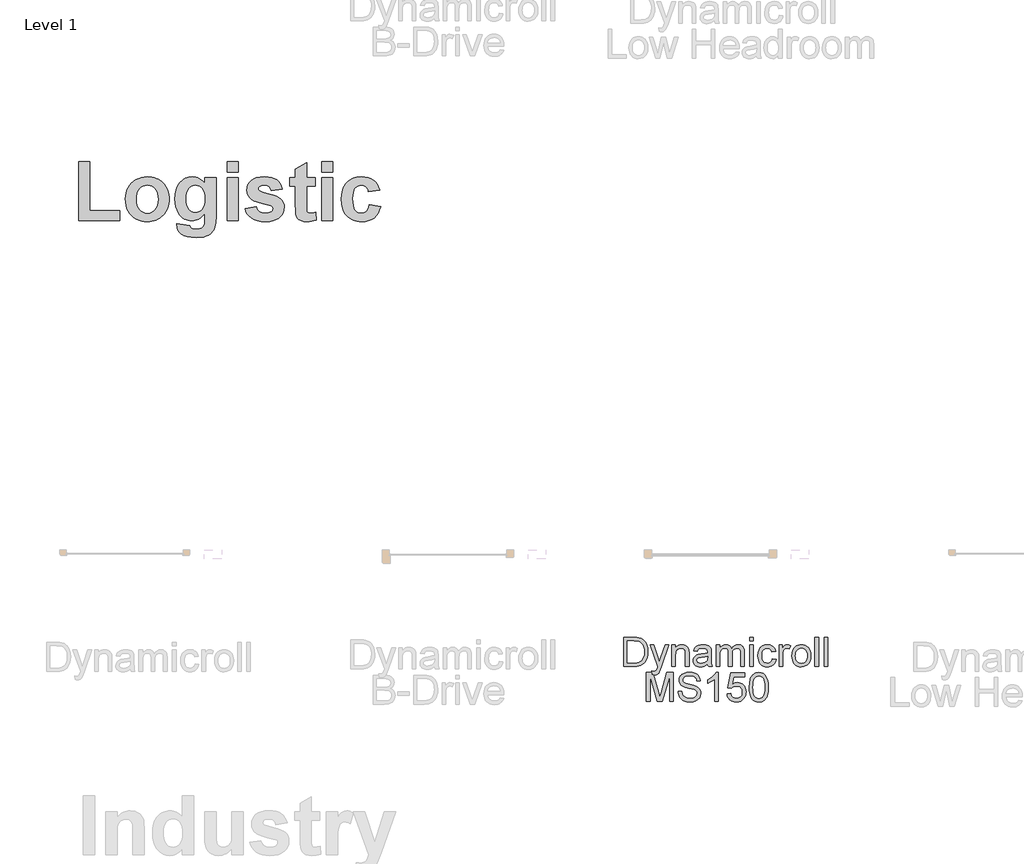
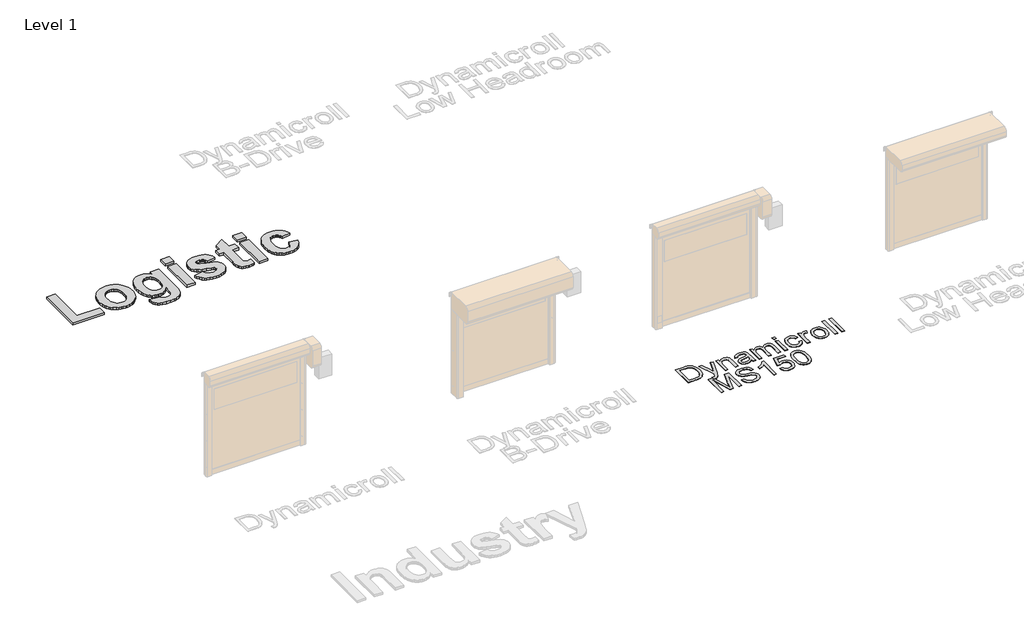
# One storey, part 7 of 18: 2 proxies.
"""IFC4 building model written with IfcOpenShell, lengths in millimetres."""

from ifc_helpers import new_model, si_unit, origin, origin_with_axes, place, context, project, spatial, polyline, outline, extrude, element, save

model = new_model("IFC4")

# Units and contexts
model_context = context("Model", 3, world=origin())
ifc_project = project(units=[si_unit("LENGTHUNIT", "METRE", prefix="MILLI")], contexts=[model_context])

# Site, building, storey
site = spatial("IfcSite", under=ifc_project)
building = spatial("IfcBuilding", under=site)
storey = spatial("IfcBuildingStorey", under=building, Name="Level 1", Elevation=0.0)

# Proxies
placement = place(None, origin())
element("IfcBuildingElementProxy", 1, Name="1000", ObjectType="1000", at=placement, inside=storey, context=model_context, shape_type="SweptSolid", body=[
    extrude(outline(polyline([(688.190889, 26929.161289), (688.190889, 27949.4206889), (882.5260128, 27949.4206889), (882.5260128, 27107.3018191), (1400.7530096, 27107.3018191), (1400.7530096, 26929.161289), (688.190889, 26929.161289)])), origin_with_axes(), (0.0, 0.0, 1.0), 50.0),
    extrude(outline(polyline([(1497.9205715, 27312.264645), (1500.9175203, 27360.8405185), (1509.9083664, 27408.6414553), (1524.8931101, 27455.6674555), (1545.8717512, 27501.9185191), (1572.3382087, 27545.0698363), (1603.7864015, 27582.7965971), (1640.2163297, 27615.0988018), (1681.6279933, 27641.9764501), (1726.8115421, 27663.121149), (1774.5571264, 27678.2245054), (1824.8647459, 27687.2865193), (1877.7344007, 27690.3071905), (1918.6656827, 27688.5952132), (1957.7031144, 27683.4592813), (1994.846696, 27674.8993948), (2030.0964273, 27662.9155536), (2063.4523085, 27647.5077579), (2094.9143395, 27628.6760075), (2124.4825203, 27606.4203025), (2152.156851, 27580.7406429), (2177.2137936, 27552.4435953), (2198.9298106, 27522.3357265), (2217.3049019, 27490.4170364), (2232.3390676, 27456.6875251), (2244.0323075, 27421.1471925), (2252.3846217, 27383.7960387), (2257.3960102, 27344.6340635), (2259.0664731, 27303.6612671), (2257.3782183, 27262.3701932), (2252.3134541, 27222.8859868), (2243.8721803, 27185.2086479), (2232.054397, 27149.3381765), (2216.8601041, 27115.2745726), (2198.2893018, 27083.0178362), (2176.34199, 27052.5679673), (2151.0181686, 27023.9249659), (2123.1362657, 26997.9191212), (2093.5147091, 26975.3807225), (2062.1534989, 26956.3097698), (2029.0526352, 26940.706263), (1994.2121178, 26928.5702021), (1957.6319468, 26919.9015872), (1919.3121221, 26914.7004183), (1879.2526439, 26912.9666953), (1829.1110822, 26915.8529388), (1780.155648, 26924.5116693), (1732.3863412, 26938.9428868), (1685.8031619, 26959.1465913), (1642.5648621, 26984.9330024), (1604.8301937, 27016.1123397), (1572.5991567, 27052.6846031), (1545.8717512, 27094.6497928), (1524.8931101, 27141.7469607), (1509.9083664, 27193.7151587), (1500.9175203, 27250.5543868), (1497.9205715, 27312.264645)]), holes=[polyline([(1692.2556953, 27301.6369429), (1695.6163898, 27246.2447903), (1705.6984733, 27197.732177), (1722.5019457, 27156.099103), (1746.0268071, 27121.3455683), (1774.4859587, 27093.9460239), (1806.0923019, 27074.3749207), (1840.8458366, 27062.6322588), (1878.7465628, 27058.7180382), (1916.6314741, 27062.6322588), (1951.3375637, 27074.3749207), (1982.8648317, 27093.9460239), (2011.2132781, 27121.3455683), (2034.6274342, 27156.1939932), (2051.3518315, 27198.1117378), (2061.3864698, 27247.0988021), (2064.7313493, 27303.1551861), (2061.3864698, 27357.8831073), (2051.3518315, 27405.9212696), (2034.6274342, 27447.269673), (2011.2132781, 27481.9283176), (1982.8648317, 27509.327862), (1951.3375637, 27528.8989652), (1916.6314741, 27540.6416271), (1878.7465628, 27544.5558477), (1840.8458366, 27540.6416271), (1806.0923019, 27528.8989652), (1774.4859587, 27509.327862), (1746.0268071, 27481.9283176), (1722.5019457, 27447.1747828), (1705.6984733, 27405.5417088), (1695.6163898, 27357.0290955), (1692.2556953, 27301.6369429)])]), origin_with_axes(), (0.0, 0.0, 1.0), 50.0),
    extrude(outline(polyline([(2388.6232223, 26880.577508), (2615.3475334, 26848.1883207), (2624.0141714, 26819.5947413), (2639.3863833, 26801.628864), (2654.3948495, 26793.6580874), (2673.1040334, 26787.9646756), (2721.6245542, 26783.4099461), (2755.3105742, 26784.8491141), (2784.5051249, 26789.1666181), (2809.2082062, 26796.362458), (2829.4198182, 26806.436634), (2850.5487021, 26826.6166159), (2865.8576539, 26856.2856176), (2872.3101873, 26891.2052101), (2874.4610318, 26946.8741258), (2874.4610318, 27055.4285113), (2849.912147, 27025.8346311), (2824.3431927, 27000.1866016), (2797.7541687, 26978.4844227), (2770.145075, 26960.7280946), (2741.5159118, 26946.9176171), (2711.866679, 26937.0529904), (2681.1973765, 26931.1342143), (2649.5080044, 26929.161289), (2614.5132904, 26931.1421218), (2581.3926578, 26937.0846204), (2550.1461067, 26946.9887848), (2520.7736369, 26960.8546148), (2493.2752485, 26978.6821106), (2467.6509415, 27000.4712722), (2443.9007159, 27026.2220994), (2422.0245717, 27055.9345924), (2393.2412119, 27109.1047329), (2372.6816692, 27168.4111061), (2360.3459435, 27233.8537121), (2356.234035, 27305.4325508), (2361.6190537, 27393.5301914), (2368.350327, 27433.4334962), (2377.7741098, 27470.573124), (2389.8904018, 27504.9490748), (2404.6992032, 27536.5613486), (2422.2005139, 27565.4099454), (2442.394334, 27591.4948652), (2488.1076865, 27634.7252575), (2512.939265, 27651.708626), (2539.0874449, 27665.6041092), (2566.5522264, 27676.4117073), (2595.3336093, 27684.1314202), (2625.4315937, 27688.763248), (2656.8461796, 27690.3071905), (2689.1404767, 27688.4766005), (2719.9797908, 27682.9848303), (2749.3641219, 27673.8318801), (2777.2934699, 27661.0177497), (2803.7678349, 27644.5424392), (2828.7872169, 27624.4059486), (2852.3516159, 27600.6082779), (2874.4610318, 27573.1494271), (2874.4610318, 27674.1125969), (3068.7961556, 27674.1125969), (3068.7961556, 27012.411622), (3063.5139346, 26898.5117553), (3056.9111584, 26853.873825), (3047.6672717, 26817.4438969), (3036.0432225, 26786.8655308), (3022.299959, 26759.782287), (3006.437481, 26736.1941655), (2988.4557887, 26716.1011663), (2967.8171708, 26698.7441677), (2943.9839163, 26683.3640483), (2886.7334973, 26658.5344467), (2852.8023443, 26649.4012652), (2814.6485775, 26642.8775641), (2725.6732026, 26637.6586033), (2640.3827304, 26641.5491014), (2568.471776, 26653.2205956), (2509.9403394, 26672.673086), (2485.6919402, 26685.3172048), (2464.7884206, 26699.9065726), (2431.1340306, 26733.1181416), (2407.0951807, 26770.5048793), (2392.6718707, 26812.0667857), (2387.8641007, 26857.8038607), (2388.6232223, 26880.577508)]), holes=[polyline([(2550.5691588, 27312.7707261), (2553.3763271, 27255.1723764), (2561.7978321, 27205.8611039), (2575.8336738, 27164.8369087), (2595.4838521, 27132.0997907), (2619.261754, 27107.0804087), (2645.6807664, 27089.2094215), (2674.7408893, 27078.4868293), (2706.4421227, 27074.9126318), (2740.3732757, 27078.5817195), (2771.568428, 27089.5889823), (2800.0275796, 27107.9344204), (2825.7507306, 27133.6180338), (2847.0614874, 27166.4974871), (2862.2834565, 27206.4304451), (2871.416638, 27253.4169077), (2874.4610318, 27307.456875), (2871.5431582, 27363.7979296), (2862.7895375, 27412.373803), (2848.2001697, 27453.1844953), (2827.7750548, 27486.2300065), (2802.8901006, 27511.747562), (2774.921215, 27529.9743874), (2743.8683979, 27540.9104826), (2709.7316495, 27544.5558477), (2676.5912482, 27540.9816503), (2646.5031481, 27530.259058), (2619.4673495, 27512.3880708), (2595.4838521, 27487.3686889), (2575.8336738, 27455.0111316), (2561.7978321, 27415.1256187), (2553.3763271, 27367.7121502), (2550.5691588, 27312.7707261)])]), origin_with_axes(), (0.0, 0.0, 1.0), 50.0),
    extrude(outline(polyline([(3263.1312794, 27771.2801588), (3263.1312794, 27949.4206889), (3457.4664032, 27949.4206889), (3457.4664032, 27771.2801588), (3263.1312794, 27771.2801588)])), origin_with_axes(), (0.0, 0.0, 1.0), 50.0),
    extrude(outline(polyline([(3263.1312794, 26929.161289), (3263.1312794, 27674.1125969), (3457.4664032, 27674.1125969), (3457.4664032, 26929.161289), (3263.1312794, 26929.161289)])), origin_with_axes(), (0.0, 0.0, 1.0), 50.0),
    extrude(outline(polyline([(3570.8285588, 27139.6910064), (3765.1636826, 27172.0801937), (3772.826066, 27145.9221294), (3783.667271, 27123.116852), (3797.6872976, 27103.6643616), (3814.8861459, 27087.5646581), (3835.5326713, 27074.9442619), (3859.8957294, 27065.9296932), (3887.9753202, 27060.5209519), (3919.7714438, 27058.7180382), (3954.5487011, 27060.4418768), (3984.7395988, 27065.6133925), (4010.344137, 27074.2325854), (4031.3623157, 27086.2994555), (4042.4328387, 27096.7373772), (4050.3403551, 27108.8200623), (4055.084865, 27122.5475108), (4056.6663683, 27137.9197228), (4053.3135813, 27158.0364446), (4043.2552204, 27174.3575585), (4020.2917927, 27187.7054462), (3979.7420484, 27199.9146516), (3875.3786466, 27225.3135943), (3792.0492384, 27249.6371149), (3729.753824, 27272.8852132), (3688.4924032, 27295.0578893), (3651.1847407, 27328.0954929), (3624.5364104, 27366.9846587), (3608.5474121, 27411.7253867), (3603.2177461, 27462.3176768), (3607.7882906, 27508.608278), (3621.499924, 27551.0716412), (3644.3526465, 27589.7077665), (3676.346458, 27624.5166538), (3717.9558095, 27653.3000136), (3769.6551519, 27673.8595564), (3831.4444853, 27686.195282), (3903.3238096, 27690.3071905), (3971.7554568, 27686.9860336), (4030.7929745, 27677.0225629), (4080.4363626, 27660.4167784), (4120.6856213, 27637.1686801), (4153.4701844, 27607.4047883), (4180.719486, 27571.2516232), (4202.4335261, 27528.7091848), (4218.6123048, 27479.7774731), (4024.277181, 27447.3882858), (4009.9803913, 27488.9501921), (3999.5108395, 27505.6034217), (3986.8271831, 27519.5048356), (3971.5814915, 27530.4646534), (3953.4258337, 27538.2930947), (3932.36021, 27542.9901594), (3908.3846201, 27544.5558477), (3853.0320051, 27539.2419966), (3832.2352369, 27532.5996828), (3816.0248282, 27523.3004435), (3802.1708595, 27505.8406472), (3797.5528699, 27483.8261215), (3802.1708595, 27464.7848219), (3816.0248282, 27448.6534884), (3836.0703824, 27438.0416014), (3871.4090733, 27425.4370202), (3987.9658655, 27394.2497754), (4055.9784143, 27375.6354817), (4112.872995, 27354.9652337), (4158.6496077, 27332.2390315), (4193.3082522, 27307.456875), (4218.5490446, 27278.6893303), (4236.5781821, 27244.7660848), (4247.3956646, 27205.6871386), (4251.0014921, 27161.4524917), (4245.7746237, 27112.2598319), (4230.0940186, 27066.6571847), (4203.9596768, 27024.6445499), (4167.3715983, 26986.2219275), (4145.2088066, 26969.0527325), (4120.5353785, 26954.1727635), (4063.6566128, 26931.2805034), (3996.7353012, 26917.5451473), (3919.7714438, 26912.9666953), (3849.2601198, 26916.7781183), (3786.5139769, 26928.212387), (3731.5330152, 26947.2695016), (3684.3172346, 26973.949462), (3644.7242998, 27007.1768461), (3612.6118756, 27045.8762315), (3587.9799619, 27090.0476183), (3570.8285588, 27139.6910064)])), origin_with_axes(), (0.0, 0.0, 1.0), 50.0),
    extrude(outline(polyline([(4785.4230825, 27674.1125969), (4785.4230825, 27528.361254), (4639.6717397, 27528.361254), (4639.6717397, 27208.77107), (4640.778792, 27132.0681606), (4644.0999489, 27095.7884752), (4651.3432339, 27081.1121247), (4664.2166707, 27069.21922), (4681.6132068, 27061.3433336), (4702.4257901, 27058.7180382), (4740.88795, 27063.3992879), (4793.5203793, 27077.4430371), (4801.6176762, 26939.28291), (4765.2905457, 26927.7695661), (4726.6544204, 26919.545749), (4685.7093003, 26914.6114588), (4642.4551854, 26912.9666953), (4590.7083979, 26917.5214248), (4544.2754614, 26931.1856132), (4506.3510126, 26952.0614566), (4480.1296882, 26978.251151), (4462.8280422, 27012.2218416), (4451.662629, 27056.4406735), (4446.9181191, 27109.2628832), (4445.3366159, 27197.8903274), (4445.3366159, 27528.361254), (4348.169054, 27528.361254), (4348.169054, 27674.1125969), (4445.3366159, 27674.1125969), (4445.3366159, 27819.8639397), (4639.6717397, 27933.2260953), (4639.6717397, 27674.1125969), (4785.4230825, 27674.1125969)])), origin_with_axes(), (0.0, 0.0, 1.0), 50.0),
    extrude(outline(polyline([(4898.7852381, 27771.2801588), (4898.7852381, 27949.4206889), (5093.1203619, 27949.4206889), (5093.1203619, 27771.2801588), (4898.7852381, 27771.2801588)])), origin_with_axes(), (0.0, 0.0, 1.0), 50.0),
    extrude(outline(polyline([(4898.7852381, 26929.161289), (4898.7852381, 27674.1125969), (5093.1203619, 27674.1125969), (5093.1203619, 26929.161289), (4898.7852381, 26929.161289)])), origin_with_axes(), (0.0, 0.0, 1.0), 50.0),
    extrude(outline(polyline([(5902.8500444, 27463.5828794), (5708.5149206, 27431.1936921), (5702.5131156, 27457.6601496), (5693.6171596, 27480.6314849), (5681.8270526, 27500.1076978), (5667.1427946, 27516.0887885), (5649.8016111, 27528.5431269), (5630.0407275, 27537.4390829), (5607.8601439, 27542.7766565), (5583.2598603, 27544.5558477), (5550.7125227, 27541.2188758), (5521.6444923, 27531.20796), (5496.0557691, 27514.5231003), (5473.9463532, 27491.1642967), (5456.1228111, 27459.992867), (5443.3917097, 27419.8701286), (5435.7530488, 27370.7960816), (5433.2068285, 27312.7707261), (5435.8558465, 27248.2928371), (5443.8029005, 27194.0314593), (5457.0479906, 27149.9865928), (5475.5911166, 27116.1582375), (5498.5940819, 27091.0281503), (5525.2186897, 27073.078088), (5555.4649401, 27062.3080506), (5589.3328329, 27058.7180382), (5614.8187584, 27060.7660849), (5637.8849838, 27066.9102252), (5658.5315092, 27077.150459), (5676.7583346, 27091.4867863), (5692.5180148, 27110.836479), (5705.7631049, 27136.116809), (5716.4936046, 27167.3277764), (5724.7095142, 27204.469381), (5919.044638, 27172.0801937), (5901.1341133, 27111.8644561), (5876.5021996, 27059.5087898), (5845.148897, 27015.0131949), (5807.0742054, 26978.3776712), (5762.1199745, 26949.7603693), (5710.1280539, 26929.3194393), (5651.0984438, 26917.0548813), (5585.031144, 26912.9666953), (5546.4958395, 26914.5758749), (5509.9650905, 26919.4034137), (5475.4388969, 26927.4493117), (5442.9172587, 26938.7135688), (5412.4001759, 26953.1961852), (5383.8876485, 26970.8971607), (5357.3796766, 26991.8164954), (5332.87626, 27015.9541893), (5310.8439424, 27042.9346354), (5291.7492671, 27072.3822266), (5275.5922341, 27104.2969629), (5262.3728435, 27138.6788443), (5252.0910953, 27175.5278709), (5244.7469894, 27214.8440426), (5238.8717047, 27300.8778214), (5244.7074518, 27387.8842246), (5252.0021357, 27427.5621652), (5262.2146932, 27464.6899317), (5275.3451243, 27499.2675242), (5291.3934288, 27531.2949426), (5310.359607, 27560.772187), (5332.2436587, 27587.6992573), (5356.6185781, 27611.7479917), (5383.0573593, 27632.5902281), (5411.5600023, 27650.2259666), (5442.1265071, 27664.6552072), (5474.7568736, 27675.8779499), (5509.4511019, 27683.8941947), (5546.2091921, 27688.7039416), (5585.031144, 27690.3071905), (5646.8521074, 27686.8041608), (5701.999127, 27676.2950714), (5750.4722027, 27658.7799225), (5792.2713346, 27634.2587141), (5828.0291239, 27602.5732957), (5858.378172, 27563.5655172), (5883.3184788, 27517.2353784), (5902.8500444, 27463.5828794)])), origin_with_axes(), (0.0, 0.0, 1.0), 50.0),
])
element("IfcBuildingElementProxy", 2, Name="500mm", ObjectType="500mm", at=placement, inside=storey, context=model_context, shape_type="SweptSolid", body=[
    extrude(outline(polyline([(10134.2260826, 19203.3584781), (10134.2260826, 19705.6400289), (10307.4985024, 19705.6400289), (10359.2778932, 19703.8312757), (10397.1390818, 19698.4050163), (10437.1769057, 19684.4561573), (10470.9607355, 19662.4752081), (10489.5770973, 19644.510304), (10505.6949273, 19624.2154806), (10519.3142253, 19601.5907379), (10530.4349914, 19576.6360759), (10545.2422417, 19520.656699), (10550.1779918, 19457.1970548), (10546.836397, 19403.2870141), (10536.8116127, 19355.8455651), (10521.5445099, 19315.4551877), (10502.4759598, 19282.6983617), (10480.5256674, 19256.8393232), (10456.6133377, 19237.142308), (10429.1601438, 19222.5343271), (10396.5872589, 19211.9423913), (10358.8333691, 19205.5044564), (10315.8371609, 19203.3584781), (10134.2260826, 19203.3584781)]), holes=[polyline([(10197.0112765, 19266.143672), (10308.111639, 19266.143672), (10354.0662316, 19268.4122776), (10388.9230506, 19275.2180945), (10415.2266133, 19286.1625839), (10435.5214367, 19300.8472068), (10457.3337733, 19328.0244892), (10473.7198505, 19363.203205), (10483.9745611, 19406.5366384), (10487.392798, 19458.1780734), (10485.7181685, 19494.6290478), (10480.69428, 19526.6041245), (10472.3211325, 19554.1033037), (10460.598726, 19577.1265852), (10446.4774223, 19596.1951353), (10430.9075833, 19611.8301201), (10413.8892089, 19624.0315396), (10395.4222992, 19632.7993938), (10359.30855, 19640.3409747), (10306.3948564, 19642.854835), (10197.0112765, 19642.854835), (10197.0112765, 19266.143672)])]), origin_with_axes(), (0.0, 0.0, 1.0), 5.0),
    extrude(outline(polyline([(10628.6594841, 19062.091792), (10620.8113349, 19122.5470665), (10652.6944412, 19117.0288366), (10669.4637288, 19118.7609476), (10682.4928828, 19123.9572808), (10692.6402945, 19132.2499541), (10700.7643552, 19143.2710856), (10717.9321816, 19189.5015896), (10722.8372749, 19204.7073788), (10589.418738, 19572.2214919), (10655.6374971, 19572.2214919), (10726.3934675, 19367.433848), (10751.0415612, 19285.5187904), (10775.6896549, 19357.8689161), (10848.4076626, 19572.2214919), (10914.1359124, 19572.2214919), (10785.7450961, 19194.5293102), (10752.3904619, 19112.6142526), (10735.3146059, 19086.4639742), (10715.9701443, 19068.3457859), (10693.4986858, 19057.7691785), (10667.041839, 19054.2436427), (10648.862337, 19056.20568), (10628.6594841, 19062.091792)])), origin_with_axes(), (0.0, 0.0, 1.0), 5.0),
    extrude(outline(polyline([(10966.1299011, 19203.3584781), (10966.1299011, 19572.2214919), (11028.9150949, 19572.2214919), (11028.9150949, 19520.7180126), (11050.7274315, 19546.6843501), (11076.9236953, 19565.231734), (11107.5038861, 19576.3601644), (11142.4680041, 19580.0696412), (11173.4160769, 19577.0806), (11201.758319, 19568.1134763), (11225.3947372, 19554.2872447), (11242.2253384, 19536.7208794), (11253.6450087, 19515.4603658), (11261.0486339, 19490.551689), (11264.3595718, 19429.8511598), (11264.3595718, 19203.3584781), (11201.574378, 19203.3584781), (11201.574378, 19421.3898739), (11199.7656248, 19453.85546), (11194.3393654, 19476.9400552), (11184.3299094, 19493.4794166), (11168.7715667, 19506.3093011), (11148.8292969, 19514.5406608), (11125.6680596, 19517.2844473), (11106.6033416, 19515.7439415), (11088.8951885, 19511.1224239), (11072.5436003, 19503.4198946), (11057.5485769, 19492.6363537), (11045.0214285, 19477.5455276), (11036.0734654, 19456.9211433), (11030.7046875, 19430.7632006), (11028.9150949, 19399.0716996), (11028.9150949, 19203.3584781), (10966.1299011, 19203.3584781)])), origin_with_axes(), (0.0, 0.0, 1.0), 5.0),
    extrude(outline(polyline([(11586.1336903, 19250.4473735), (11556.1359792, 19224.7262907), (11525.2492201, 19207.8956894), (11492.7683056, 19198.606669), (11457.9881286, 19195.5103289), (11430.0329291, 19197.3727315), (11405.518959, 19202.9599393), (11384.4462185, 19212.2719523), (11366.8147075, 19225.3087705), (11352.8926732, 19241.2426594), (11342.948363, 19259.2458846), (11336.9817769, 19279.3184459), (11334.9929149, 19301.4603435), (11337.9972845, 19327.4879947), (11347.0103934, 19351.1244128), (11360.9132671, 19371.3579226), (11378.5869313, 19387.1768484), (11399.3569356, 19399.1330132), (11422.5488297, 19407.7782401), (11476.8727377, 19417.2205446), (11541.0681458, 19427.1533585), (11585.7658083, 19438.802955), (11586.1336903, 19452.7824708), (11581.8110768, 19480.8028161), (11568.8432365, 19499.1356022), (11555.7680972, 19507.075722), (11539.8418725, 19512.7472361), (11499.4361667, 19517.2844473), (11462.0348305, 19514.2647493), (11435.9152089, 19505.2056552), (11418.103589, 19488.451696), (11405.626258, 19462.3474027), (11342.8410641, 19470.195552), (11353.7395682, 19504.5312048), (11370.0030181, 19531.5092178), (11393.148927, 19552.1412664), (11424.694808, 19567.439026), (11463.2764323, 19576.9119874), (11507.5295706, 19580.0696412), (11549.9739558, 19577.2798694), (11583.61983, 19568.910554), (11608.9883592, 19556.3259241), (11626.6007097, 19540.8902087), (11638.2809631, 19521.8063302), (11645.8532008, 19498.2772109), (11648.9188841, 19443.3401663), (11648.9188841, 19365.226556), (11652.1071947, 19256.1495444), (11656.828347, 19229.1868599), (11664.6151826, 19203.3584781), (11601.8299887, 19203.3584781), (11591.7745475, 19225.1861432), (11586.1336903, 19250.4473735)]), holes=[polyline([(11586.1336903, 19376.0177612), (11543.9498881, 19365.5637812), (11484.8435143, 19356.7652701), (11430.8261746, 19346.5872016), (11416.7700167, 19339.6281005), (11406.3620219, 19330.0325118), (11399.924087, 19318.5361994), (11397.7781087, 19305.8749274), (11402.4532757, 19287.2049162), (11416.4787768, 19271.9071566), (11439.5480436, 19261.6984312), (11471.3545078, 19258.2955227), (11505.077024, 19262.0509848), (11534.8754656, 19273.3173709), (11559.0330499, 19289.9180459), (11575.8329944, 19309.6763747), (11583.2826048, 19330.0325118), (11585.7658083, 19358.2367981), (11586.1336903, 19376.0177612)])]), origin_with_axes(), (0.0, 0.0, 1.0), 5.0),
    extrude(outline(polyline([(11735.2485256, 19203.3584781), (11735.2485256, 19572.2214919), (11798.0337195, 19572.2214919), (11798.0337195, 19511.5209627), (11816.9183286, 19539.4033523), (11841.1985402, 19561.2463458), (11870.04662, 19575.3638173), (11902.6348334, 19580.0696412), (11937.5529661, 19575.2718468), (11965.5426546, 19560.8784638), (11986.4506147, 19537.8398538), (12000.1235622, 19507.1063788), (12023.0088879, 19539.0278061), (12049.1131812, 19561.8288256), (12078.4364419, 19575.5094373), (12110.97867, 19580.0696412), (12136.1134409, 19578.1727496), (12158.1748643, 19572.482075), (12177.1629402, 19562.9976173), (12193.0776686, 19549.7193766), (12205.6584664, 19532.4940686), (12214.6447506, 19511.1684092), (12220.0365211, 19485.7423984), (12221.8337779, 19456.2160361), (12221.8337779, 19203.3584781), (12159.0485841, 19203.3584781), (12159.0485841, 19429.2380232), (12157.5923845, 19460.553978), (12153.2237858, 19481.6612075), (12145.0384114, 19496.1159042), (12132.1318848, 19507.4742608), (12115.5312097, 19514.8319007), (12096.2633902, 19517.2844473), (12078.4709308, 19515.7132846), (12062.2496341, 19510.9997966), (12047.5995001, 19503.1439831), (12034.5205287, 19492.1458443), (12023.7638125, 19477.6834834), (12016.0804437, 19459.4350036), (12011.4704225, 19437.4004049), (12009.9337487, 19411.5796874), (12009.9337487, 19203.3584781), (11947.1485549, 19203.3584781), (11947.1485549, 19436.2277811), (11943.5157202, 19471.7283936), (11932.617216, 19497.0509376), (11924.1904191, 19505.9030981), (11913.441367, 19512.2260699), (11884.9764977, 19517.2844473), (11860.7882565, 19513.9121957), (11838.5007389, 19503.7954408), (11820.1066392, 19487.1794374), (11807.5986514, 19464.30944), (11800.4249524, 19432.5796179), (11798.0337195, 19389.3841403), (11798.0337195, 19203.3584781), (11735.2485256, 19203.3584781)])), origin_with_axes(), (0.0, 0.0, 1.0), 5.0),
    extrude(outline(polyline([(12316.0115687, 19642.854835), (12316.0115687, 19705.6400289), (12378.7967625, 19705.6400289), (12378.7967625, 19642.854835), (12316.0115687, 19642.854835)])), origin_with_axes(), (0.0, 0.0, 1.0), 5.0),
    extrude(outline(polyline([(12316.0115687, 19203.3584781), (12316.0115687, 19572.2214919), (12378.7967625, 19572.2214919), (12378.7967625, 19203.3584781), (12316.0115687, 19203.3584781)])), origin_with_axes(), (0.0, 0.0, 1.0), 5.0),
    extrude(outline(polyline([(12708.4190302, 19336.777015), (12771.2042241, 19328.9288658), (12764.3754145, 19299.3028689), (12753.6991724, 19273.0874446), (12739.1754978, 19250.282593), (12720.8043907, 19230.8883141), (12699.3599361, 19215.4104456), (12675.616219, 19204.3548252), (12649.5732394, 19197.721453), (12621.2309974, 19195.5103289), (12586.0177926, 19198.5951727), (12554.4450868, 19207.8497041), (12526.5128799, 19223.2739232), (12502.2211719, 19244.8678299), (12482.5586457, 19272.2252212), (12468.5139841, 19304.939894), (12460.0871872, 19343.0118484), (12457.2782548, 19386.4410844), (12462.0760492, 19442.3131624), (12476.4694322, 19490.73563), (12487.3219511, 19511.6857432), (12500.6883303, 19529.8384204), (12516.5685697, 19545.1936616), (12534.9626695, 19557.7514668), (12575.9661835, 19574.4900976), (12620.372606, 19580.0696412), (12648.2281709, 19578.1535891), (12673.4242554, 19572.4054329), (12695.9608597, 19562.8251727), (12715.8379838, 19549.4128082), (12732.7184024, 19532.4749081), (12746.2648905, 19512.3180404), (12756.4774479, 19488.9422053), (12763.3560748, 19462.3474027), (12700.570881, 19454.4992535), (12689.1818675, 19481.8911337), (12671.4468897, 19501.5268352), (12648.3469661, 19513.3450443), (12620.8631154, 19517.2844473), (12599.5297917, 19515.3454027), (12580.288797, 19509.5282686), (12563.1401311, 19499.8330452), (12548.083794, 19486.2597324), (12535.8248929, 19468.4940977), (12527.068535, 19446.2219086), (12521.8147203, 19419.443165), (12520.0634487, 19388.157867), (12521.7763992, 19356.4012202), (12526.9152508, 19329.3120762), (12535.4800035, 19306.890435), (12547.4706573, 19289.1362967), (12562.2280903, 19275.6434581), (12579.0931805, 19266.0057162), (12598.065928, 19260.2230711), (12619.1463327, 19258.2955227), (12651.657904, 19263.1086455), (12678.3140203, 19277.5480138), (12689.0937291, 19288.4695105), (12697.7044671, 19301.9815097), (12708.4190302, 19336.777015)])), origin_with_axes(), (0.0, 0.0, 1.0), 5.0),
    extrude(outline(polyline([(12826.1412687, 19203.3584781), (12826.1412687, 19572.2214919), (12881.0783133, 19572.2214919), (12881.0783133, 19517.6523293), (12901.3731367, 19549.2901809), (12920.0738048, 19567.9295353), (12938.8357865, 19577.0346147), (12959.3145509, 19580.0696412), (12990.5845205, 19575.2258616), (13022.3449994, 19560.6945228), (13001.3757257, 19504.4085775), (12979.302806, 19514.0654799), (12957.2298863, 19517.2844473), (12938.4832329, 19514.1881072), (12921.7292737, 19504.8990868), (12908.194282, 19490.1224934), (12899.104531, 19470.5634339), (12891.4709796, 19435.4920171), (12888.9264625, 19397.2322896), (12888.9264625, 19203.3584781), (12826.1412687, 19203.3584781)])), origin_with_axes(), (0.0, 0.0, 1.0), 5.0),
    extrude(outline(polyline([(13045.8894471, 19387.789985), (13049.2846914, 19435.5609949), (13059.4704241, 19476.7254574), (13076.4466453, 19511.2833723), (13100.2133551, 19539.2347397), (13124.1410132, 19557.1000091), (13150.5518747, 19569.8609158), (13179.4459398, 19577.5174598), (13210.8232083, 19580.0696412), (13245.4615974, 19576.9618047), (13276.7813843, 19567.6382954), (13304.7825691, 19552.0991132), (13329.4651517, 19530.3442582), (13349.6105231, 19503.1094942), (13364.000074, 19471.1305854), (13372.6338046, 19434.4075316), (13375.5117148, 19392.940333), (13370.4226805, 19329.5113456), (13364.0613877, 19303.4760303), (13355.1555777, 19281.2268338), (13343.8163816, 19262.0088316), (13330.1549305, 19245.0670993), (13314.1712242, 19230.4016369), (13295.8652628, 19218.0124443), (13255.1376603, 19201.1358577), (13210.8232083, 19195.5103289), (13175.6789814, 19198.606669), (13144.0679546, 19207.8956894), (13115.9901277, 19223.37739), (13091.4455009, 19245.0517709), (13071.5147273, 19272.55095), (13057.2784606, 19305.5070454), (13048.7367005, 19343.9200571), (13045.8894471, 19387.789985)]), holes=[polyline([(13108.674641, 19387.9126124), (13110.4910583, 19357.458881), (13115.9403104, 19331.0901725), (13125.0223971, 19308.8064871), (13137.7373186, 19290.6078246), (13153.2036908, 19276.4711926), (13170.5401298, 19266.3735982), (13189.7466356, 19260.3150416), (13210.8232083, 19258.2955227), (13231.792482, 19260.3265379), (13250.9223458, 19266.4195835), (13268.2127995, 19276.5746594), (13283.6638433, 19290.7917656), (13296.3787648, 19309.170537), (13305.4608515, 19331.8106081), (13310.9101036, 19358.711979), (13312.726521, 19389.8746497), (13310.8986073, 19419.3626908), (13305.4148663, 19445.0416205), (13296.275298, 19466.9114387), (13283.4799023, 19484.9721454), (13267.971377, 19499.1087775), (13250.6924195, 19509.2063719), (13231.64303, 19515.2649285), (13210.8232083, 19517.2844473), (13189.7466356, 19515.2725927), (13170.5401298, 19509.2370287), (13153.2036908, 19499.1777554), (13137.7373186, 19485.0947728), (13125.0223971, 19466.9497598), (13115.9403104, 19444.7043954), (13110.4910583, 19418.3586796), (13108.674641, 19387.9126124)])]), origin_with_axes(), (0.0, 0.0, 1.0), 5.0),
    extrude(outline(polyline([(13446.1450579, 19203.3584781), (13446.1450579, 19705.6400289), (13508.9302517, 19705.6400289), (13508.9302517, 19203.3584781), (13446.1450579, 19203.3584781)])), origin_with_axes(), (0.0, 0.0, 1.0), 5.0),
    extrude(outline(polyline([(13603.1080425, 19203.3584781), (13603.1080425, 19705.6400289), (13665.8932363, 19705.6400289), (13665.8932363, 19203.3584781), (13603.1080425, 19203.3584781)])), origin_with_axes(), (0.0, 0.0, 1.0), 5.0),
    extrude(outline(polyline([(10526.6335441, 18593.4843889), (10526.6335441, 19095.7659396), (10634.6682234, 19095.7659396), (10737.4299274, 18741.7408329), (10758.1539464, 18667.7965519), (10780.5947482, 18747.8721995), (10881.6396695, 19095.7659396), (10989.6743487, 19095.7659396), (10989.6743487, 18593.4843889), (10926.8891549, 18593.4843889), (10926.8891549, 19032.9807458), (10800.7056306, 18593.4843889), (10715.6022623, 18593.4843889), (10589.418738, 19032.9807458), (10589.418738, 18593.4843889), (10526.6335441, 18593.4843889)])), origin_with_axes(), (0.0, 0.0, 1.0), 5.0),
    extrude(outline(polyline([(11076.0039903, 18766.143672), (11138.7891841, 18766.143672), (11145.9935399, 18731.3021813), (11159.0226939, 18703.2971645), (11179.3481741, 18681.0709606), (11208.4415085, 18663.565909), (11244.0034347, 18652.2075524), (11283.7346902, 18648.4214335), (11318.7141366, 18651.2878474), (11349.3403127, 18659.887089), (11374.157019, 18673.4987228), (11391.7080558, 18691.4023133), (11402.1467074, 18711.9577198), (11405.626258, 18733.5248017), (11403.0204272, 18754.5400607), (11395.2029348, 18772.7042342), (11379.3226953, 18788.2012633), (11352.5286233, 18801.2150888), (11261.1099475, 18825.1887322), (11201.0991971, 18841.0536432), (11162.7015138, 18856.1521334), (11131.4468726, 18877.2746913), (11109.2973108, 18902.8731468), (11096.0995443, 18932.3956769), (11091.7002887, 18965.2904587), (11097.1418766, 19002.0633298), (11113.4666401, 19036.3529974), (11125.6029139, 19051.8806833), (11140.2453837, 19065.415675), (11177.0489116, 19086.5075761), (11221.2254079, 19099.3374607), (11270.1230564, 19103.6140889), (11323.0980637, 19099.1381913), (11369.4511951, 19085.7104984), (11407.5269816, 19063.6069219), (11422.8400696, 19049.405144), (11435.6699542, 19033.1033731), (11453.4815742, 18996.1005758), (11460.5633026, 18954.4992535), (11397.7781087, 18954.4992535), (11393.5781226, 18974.5334938), (11386.2511395, 18991.9619033), (11375.7971595, 19006.7844821), (11362.2161825, 19019.00123), (11345.2552897, 19028.5508334), (11324.6615622, 19035.3719788), (11272.575603, 19040.828895), (11219.2633706, 19035.4332924), (11198.8842409, 19028.6887892), (11182.6897689, 19019.2464846), (11170.3503936, 19007.8957923), (11161.5365542, 18995.4261255), (11156.2482505, 18981.8374843), (11154.4854826, 18967.1298687), (11159.4825463, 18943.0029411), (11174.4737377, 18923.5971659), (11188.2386556, 18914.9672674), (11209.9130365, 18906.2453985), (11276.990187, 18888.525749), (11346.2133157, 18871.6951477), (11388.0905495, 18857.0105248), (11423.882402, 18834.2324979), (11448.8523924, 18806.1201821), (11463.5216869, 18772.9801457), (11468.4114518, 18735.118957), (11462.785923, 18696.4147055), (11445.9093364, 18660.0097164), (11418.471471, 18628.6784331), (11381.1621053, 18605.1952991), (11336.2958303, 18590.5260045), (11286.1872369, 18585.6362397), (11224.6743016, 18590.9092149), (11197.9990248, 18597.500434), (11174.044542, 18606.7281407), (11152.6652331, 18618.6076635), (11133.7154783, 18633.1543307), (11117.1952774, 18650.3681424), (11103.1046306, 18670.2490986), (11091.7539382, 18692.1534057), (11083.4536007, 18715.4372703), (11078.203618, 18740.1006924), (11076.0039903, 18766.143672)])), origin_with_axes(), (0.0, 0.0, 1.0), 5.0),
    extrude(outline(polyline([(11774.4892718, 18593.4843889), (11711.7040779, 18593.4843889), (11711.7040779, 18984.9108318), (11685.4924858, 18963.7116318), (11652.2298221, 18942.5430886), (11586.1336903, 18910.8439234), (11586.1336903, 18970.195552), (11635.445206, 18997.0202808), (11678.1655027, 19028.9340439), (11711.8420337, 19062.8711579), (11734.0222523, 19095.7659396), (11774.4892718, 19095.7659396), (11774.4892718, 18593.4843889)])), origin_with_axes(), (0.0, 0.0, 1.0), 5.0),
    extrude(outline(polyline([(11923.6041072, 18726.9029258), (11986.389301, 18734.751075), (11997.9162702, 18697.058499), (12006.8987222, 18682.2244239), (12018.0271526, 18670.0651576), (12031.2785686, 18660.5960283), (12046.6299777, 18653.8323645), (12083.6327751, 18648.4214335), (12107.5451048, 18650.3029966), (12128.6370058, 18655.947686), (12146.9084782, 18665.3555016), (12162.359522, 18678.5264434), (12174.6452478, 18694.8090538), (12183.4207663, 18713.5518751), (12188.6860773, 18734.7549071), (12190.441181, 18758.4181501), (12188.7972083, 18780.7823097), (12183.8652903, 18800.6632658), (12175.645427, 18818.0610185), (12164.1376183, 18832.9755678), (12149.3035433, 18844.9393968), (12131.1048809, 18853.484989), (12109.541631, 18858.6123443), (12084.6137937, 18860.3214627), (12054.1562302, 18857.5930046), (12029.4928081, 18849.4076302), (12009.795793, 18836.8689855), (11994.2374502, 18821.0807166), (11931.4522564, 18828.9288658), (11986.389301, 19087.9177904), (12229.6819272, 19087.9177904), (12229.6819272, 19025.1325966), (12037.1570163, 19025.1325966), (12010.3016307, 18886.8089664), (12032.4588567, 18902.6892058), (12055.1525773, 18914.032234), (12078.3827924, 18920.8380509), (12102.1495022, 18923.1066566), (12132.7258609, 18920.2938921), (12160.811352, 18911.8555989), (12186.4059754, 18897.7917768), (12209.5097311, 18878.1024258), (12228.6357627, 18853.9908267), (12242.2972139, 18826.6602602), (12250.4940846, 18796.1107262), (12253.2263748, 18762.3422247), (12250.766164, 18729.8153249), (12243.3855315, 18699.5570308), (12231.0844773, 18671.5673424), (12213.8630014, 18645.8462595), (12187.7740365, 18619.5043758), (12157.3318014, 18600.6887446), (12122.5362961, 18589.3993659), (12083.3875204, 18585.6362397), (12050.9870801, 18588.0542974), (12021.721301, 18595.3084705), (11995.590183, 18607.3987589), (11972.5937262, 18624.3251628), (11953.4600303, 18645.2446192), (11938.9171952, 18669.3140651), (11928.9652208, 18696.5335007), (11923.6041072, 18726.9029258)])), origin_with_axes(), (0.0, 0.0, 1.0), 5.0),
    extrude(outline(polyline([(12308.1634195, 18840.5784623), (12312.7772728, 18920.9760067), (12326.6188329, 18985.0947728), (12336.965514, 19011.2948686), (12349.5501439, 19033.9157792), (12364.3727226, 19052.9575046), (12381.4332502, 19068.4200447), (12400.7892081, 19080.3838737), (12422.4980779, 19088.9294659), (12446.5598596, 19094.0568212), (12472.9745533, 19095.7659396), (12511.6634765, 19091.7192377), (12546.3056977, 19079.5791319), (12575.2764048, 19059.820803), (12596.9507857, 19032.9194321), (12613.3215345, 18999.1049454), (12626.3813453, 18958.6072691), (12634.9346017, 18907.1804319), (12637.7856871, 18840.5784623), (12633.217819, 18760.6407705), (12619.5142147, 18696.6752885), (12609.2480078, 18670.4636964), (12596.7208594, 18647.8082968), (12581.9327696, 18628.7090899), (12564.8837384, 18613.1660756), (12545.5047879, 18601.1217724), (12523.7269402, 18592.5186987), (12499.5501953, 18587.3568544), (12472.9745533, 18585.6362397), (12438.3936457, 18588.6252809), (12407.7368128, 18597.5924045), (12381.0040545, 18612.5376106), (12358.1953708, 18633.460899), (12336.3063921, 18671.2837667), (12320.6714073, 18718.4109831), (12311.2904164, 18774.8425483), (12308.1634195, 18840.5784623)]), holes=[polyline([(12370.9486133, 18840.7010897), (12372.7880233, 18786.1204307), (12378.3062532, 18741.9401024), (12387.5033031, 18708.1601046), (12400.3791729, 18684.7804374), (12415.952844, 18668.8733732), (12433.2432978, 18657.5111845), (12452.2505342, 18650.6938712), (12472.9745533, 18648.4214335), (12493.6985724, 18650.7015355), (12512.7058088, 18657.5418413), (12529.9962625, 18668.942351), (12545.5699337, 18684.9030647), (12558.4458035, 18708.3210529), (12567.6428534, 18742.0933865), (12573.1610833, 18786.2200654), (12575.0004933, 18840.7010897), (12573.222397, 18893.8370453), (12567.8881081, 18937.2394566), (12558.9976265, 18970.9083233), (12546.5509523, 18994.8436456), (12531.2378643, 19011.528627), (12513.7481411, 19023.4464708), (12494.0817828, 19030.597177), (12472.2387893, 19032.9807458), (12451.6220692, 19030.8807527), (12432.9367295, 19024.5807736), (12416.1827703, 19014.0808083), (12401.3601916, 18999.3808569), (12388.0551261, 18973.3225489), (12378.5515079, 18938.1898184), (12372.8493369, 18893.9826653), (12370.9486133, 18840.7010897)])]), origin_with_axes(), (0.0, 0.0, 1.0), 5.0),
])

save(model, "model.ifc")
